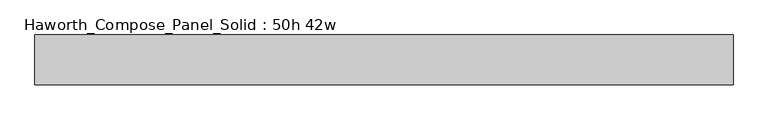
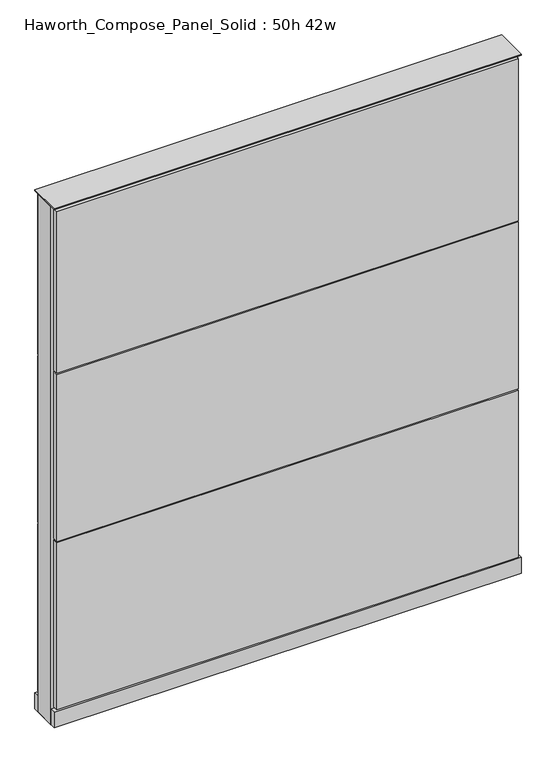
"""IFC4 building model written with IfcOpenShell, lengths in millimetres: furniture geometry, Haworth_Compose_Panel_Solid : 50h 42w."""

from ifc_helpers import new_model, si_unit, point, frame, frame_2d, origin, origin_with_axes, place, context, project, spatial, polyline, circle_curve, trimmed, segment, composite_curve, outline, extrude, source, transform, mapped, element, save


def haworth_compose_panel_solid_50h_42w_9fb5919c(model_context):
    return source(origin(), model_context, "Body", "SweptSolid", [
        extrude(outline(composite_curve([segment(trimmed(circle_curve(frame_2d((-454.7597098, 0.0)), 12.7), [point((-467.4597098, 0.0))], [point((-442.0597098, 0.0))], False, "CARTESIAN"), True, "CONTINUOUS"), segment(trimmed(circle_curve(frame_2d((-454.7597098, 0.0)), 12.7), [point((-442.0597098, 0.0))], [point((-467.4597098, 0.0))], False, "CARTESIAN"), True, "CONTINUOUS")], self_intersect=False)), origin_with_axes(), (0.0, 0.0, 1.0), 12.7),
        extrude(outline(composite_curve([segment(trimmed(circle_curve(frame_2d((459.6402902, 0.0)), 12.7), [point((446.9402902, 0.0))], [point((472.3402902, 0.0))], False, "CARTESIAN"), True, "CONTINUOUS"), segment(trimmed(circle_curve(frame_2d((459.6402902, 0.0)), 12.7), [point((472.3402902, 0.0))], [point((446.9402902, 0.0))], False, "CARTESIAN"), True, "CONTINUOUS")], self_intersect=False)), origin_with_axes(), (0.0, 0.0, 1.0), 12.7),
        extrude(outline(polyline([(529.4902902, 38.1), (529.4902902, 25.4), (-524.6097098, 25.4), (-524.6097098, 38.1), (529.4902902, 38.1)])), frame((0.0, 0.0, 866.775), z_axis=(0.0, 0.0, 1.0), x_axis=(1.0, 0.0, 0.0)), (0.0, 0.0, 1.0), 390.525),
        extrude(outline(polyline([(529.4902902, 38.1), (529.4902902, 25.4), (-524.6097098, 25.4), (-524.6097098, 38.1), (529.4902902, 38.1)])), frame((0.0, 0.0, 460.375), z_axis=(0.0, 0.0, 1.0), x_axis=(1.0, 0.0, 0.0)), (0.0, 0.0, 1.0), 403.225),
        extrude(outline(polyline([(529.4902902, 38.1), (529.4902902, 25.4), (-524.6097098, 25.4), (-524.6097098, 38.1), (529.4902902, 38.1)])), frame((0.0, 0.0, 53.975), z_axis=(0.0, 0.0, 1.0), x_axis=(1.0, 0.0, 0.0)), (0.0, 0.0, 1.0), 403.225),
        extrude(outline(polyline([(529.4902902, -38.1), (-524.6097098, -38.1), (-524.6097098, -25.4), (529.4902902, -25.4), (529.4902902, -38.1)])), frame((0.0, 0.0, 866.775), z_axis=(0.0, 0.0, 1.0), x_axis=(1.0, 0.0, 0.0)), (0.0, 0.0, 1.0), 390.525),
        extrude(outline(polyline([(529.4902902, -38.1), (-524.6097098, -38.1), (-524.6097098, -25.4), (529.4902902, -25.4), (529.4902902, -38.1)])), frame((0.0, 0.0, 460.375), z_axis=(0.0, 0.0, 1.0), x_axis=(1.0, 0.0, 0.0)), (0.0, 0.0, 1.0), 403.225),
        extrude(outline(polyline([(529.4902902, -38.1), (-524.6097098, -38.1), (-524.6097098, -25.4), (529.4902902, -25.4), (529.4902902, -38.1)])), frame((0.0, 0.0, 53.975), z_axis=(0.0, 0.0, 1.0), x_axis=(1.0, 0.0, 0.0)), (0.0, 0.0, 1.0), 403.225),
        extrude(outline(polyline([(535.8402902, 25.4), (535.8402902, -25.4), (-530.9597098, -25.4), (-530.9597098, 25.4), (535.8402902, 25.4)])), frame((0.0, 0.0, 12.7), z_axis=(0.0, 0.0, 1.0), x_axis=(1.0, 0.0, 0.0)), (0.0, 0.0, 1.0), 1250.95),
        extrude(outline(polyline([(-530.9597098, -38.1), (-530.9597098, 38.1), (535.8402902, 38.1), (535.8402902, -38.1), (-530.9597098, -38.1)])), frame((0.0, 0.0, 12.7), z_axis=(0.0, 0.0, 1.0), x_axis=(1.0, 0.0, 0.0)), (0.0, 0.0, 1.0), 38.1),
        extrude(outline(polyline([(-530.9597098, -38.1), (-530.9597098, 38.1), (535.8402902, 38.1), (535.8402902, -38.1), (-530.9597098, -38.1)])), frame((0.0, 0.0, 1263.65), z_axis=(0.0, 0.0, 1.0), x_axis=(1.0, 0.0, 0.0)), (0.0, 0.0, 1.0), 3.175),
    ])


if __name__ == "__main__":
    model = new_model("IFC4")
    model_context = context("Model", 3, world=origin())
    ifc_project = project(units=[si_unit("LENGTHUNIT", "METRE", prefix="MILLI")], contexts=[model_context])
    site = spatial("IfcSite", under=ifc_project)
    building = spatial("IfcBuilding", under=site)
    placement = place(None, origin())
    haworth_compose_panel_solid_50h_42w_shape = haworth_compose_panel_solid_50h_42w_9fb5919c(model_context)
    element("IfcFurniture", 1, ObjectType="Haworth_Compose_Panel_Solid : 50h 42w", at=placement, inside=building, context=model_context, shape_type="MappedRepresentation", body=[
        mapped(haworth_compose_panel_solid_50h_42w_shape, transform((0.0, 0.0, 0.0), x_axis=(1.0, 0.0, 0.0), y_axis=(0.0, 1.0, 0.0), z_axis=(0.0, 0.0, 1.0))),
    ])
    save(model, "model.ifc")
